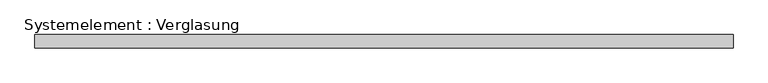
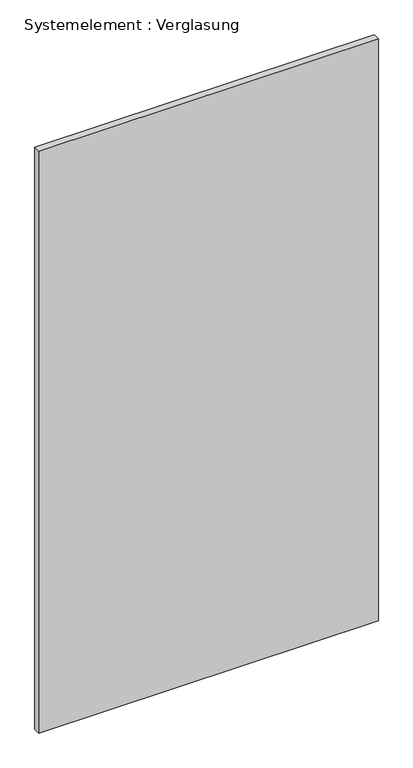
"""IFC4 building model written with IfcOpenShell, lengths in millimetres: plate geometry, Systemelement : Verglasung."""

from ifc_helpers import new_model, si_unit, origin, origin_with_axes, place, context, project, spatial, polyline, outline, extrude, source, transform, mapped, element, save


def systemelement_verglasung_be503213(model_context):
    return source(origin(), model_context, "Body", "SweptSolid", [
        extrude(outline(polyline([(784.5236297, -15.0), (-784.5236297, -15.0), (-784.5236297, 15.0), (784.5236297, 15.0), (784.5236297, -15.0)])), origin_with_axes(), (0.0, 0.0, 1.0), 2840.0),
    ])


if __name__ == "__main__":
    model = new_model("IFC4")
    model_context = context("Model", 3, world=origin())
    ifc_project = project(units=[si_unit("LENGTHUNIT", "METRE", prefix="MILLI")], contexts=[model_context])
    site = spatial("IfcSite", under=ifc_project)
    building = spatial("IfcBuilding", under=site)
    placement = place(None, origin())
    systemelement_verglasung_shape = systemelement_verglasung_be503213(model_context)
    element("IfcPlate", 1, ObjectType="Systemelement : Verglasung", at=placement, inside=building, context=model_context, shape_type="MappedRepresentation", body=[
        mapped(systemelement_verglasung_shape, transform((0.0, 0.0, 0.0), x_axis=(1.0, 0.0, 0.0), y_axis=(0.0, 1.0, 0.0), z_axis=(0.0, 0.0, 1.0))),
    ])
    save(model, "model.ifc")
